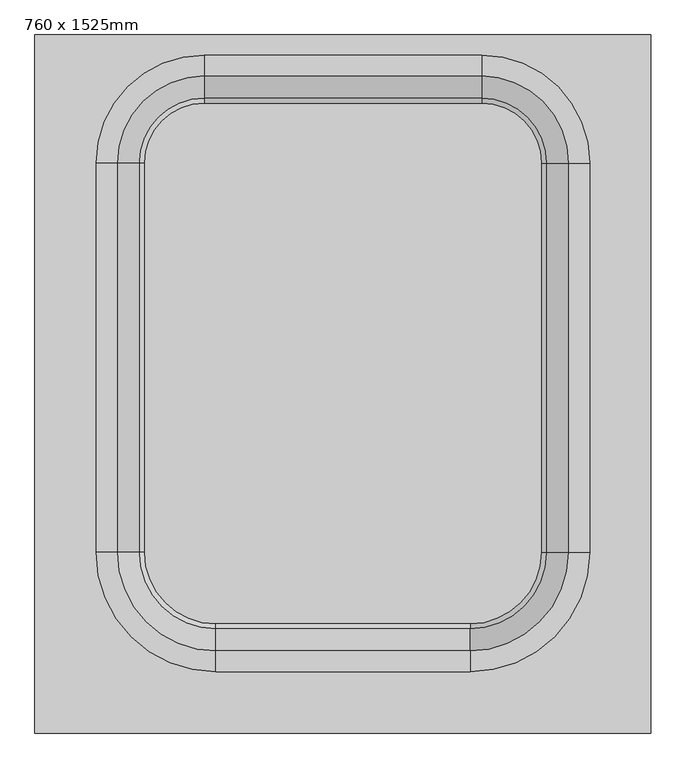
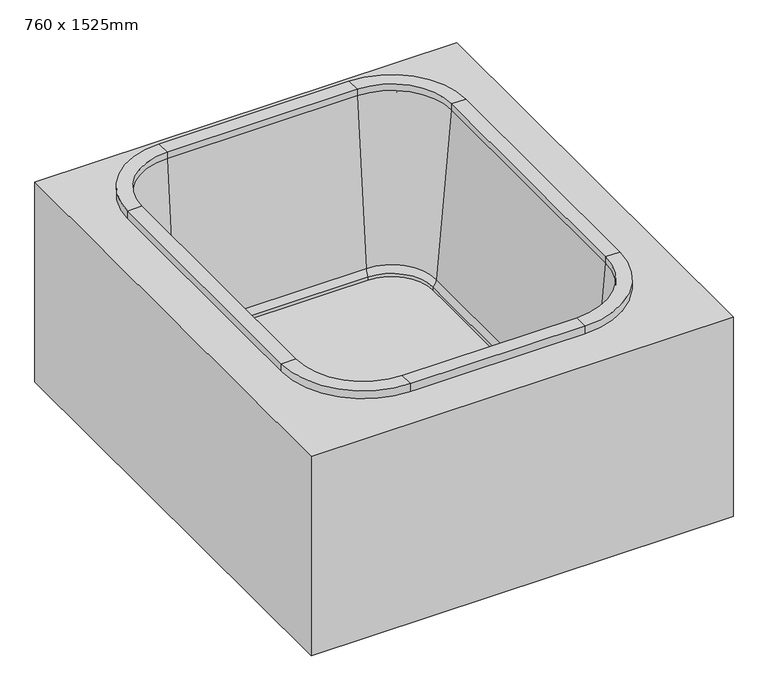
"""IFC4 building model written with IfcOpenShell, lengths in millimetres: flow terminal geometry, 760 x 1525mm."""

from ifc_helpers import new_model, si_unit, point, frame, frame_2d, origin, origin_with_axes, place, context, project, spatial, polyline, circle_curve, ellipse_curve, trimmed, segment, composite_curve, outline, extrude, source, transform, mapped, element, save
from ifc_brep_helpers import plane_surface, cylinder_surface, revolved_surface, advanced_brep


def flow_terminal_760_x_1525mm_35f8e718(model_context):
    return source(origin(), model_context, "Body", "SolidModel", [
        extrude(outline(composite_curve([segment(polyline([(-204.5855421, 612.5), (471.1503892, 612.5)]), True, "CONTINUOUS"), segment(trimmed(circle_curve(frame_2d((471.1503892, 400.3679656)), 212.1320344), [point((471.1503892, 612.5))], [point((683.2824236, 400.3679656))], False, "CARTESIAN"), True, "CONTINUOUS"), segment(polyline([(683.2824236, 400.3679656), (683.2824236, -547.0836944)]), True, "CONTINUOUS"), segment(trimmed(circle_curve(frame_2d((442.866118, -547.0836944)), 240.4163056), [point((683.2824236, -547.0836944))], [point((442.866118, -787.5))], False, "CARTESIAN"), True, "CONTINUOUS"), segment(polyline([(442.866118, -787.5), (-176.3012708, -787.5)]), True, "CONTINUOUS"), segment(trimmed(circle_curve(frame_2d((-176.3012708, -547.0836944)), 240.4163056), [point((-176.3012708, -787.5))], [point((-416.7175764, -547.0836944))], False, "CARTESIAN"), True, "CONTINUOUS"), segment(polyline([(-416.7175764, -547.0836944), (-416.7175764, 400.3679656)]), True, "CONTINUOUS"), segment(trimmed(circle_curve(frame_2d((-204.5855421, 400.3679656)), 212.1320344), [point((-416.7175764, 400.3679656))], [point((-204.5855421, 612.5))], False, "CARTESIAN"), True, "CONTINUOUS")], self_intersect=False)), frame((0.0, 0.0, 86.3), z_axis=(0.0, 0.0, 1.0), x_axis=(1.0, 0.0, 0.0)), (0.0, 0.0, 1.0), 15.08),
        advanced_brep(
        [(442.866118, -787.5, 755.2703345), (442.866118, -733.4902149, 137.935666), (-176.3012708, -733.4902149, 137.935666), (-176.3012708, -787.5, 755.2703345), (442.866118, -787.5, 779.2), (-176.3012708, -787.5, 779.2), (442.866118, -838.3, 779.2), (-176.3012708, -838.3, 779.2), (442.866118, -838.3, 739.2), (-176.3012708, -838.3, 739.2), (442.866118, -801.0748866, 739.2), (-176.3012708, -801.0748866, 739.2), (442.866118, -748.3572772, 136.6349666), (-176.3012708, -748.3572772, 136.6349666), (442.866118, -721.5824236, 95.0711196), (-176.3012708, -721.5824236, 95.0711196), (442.866118, -721.5824236, 113.4506891), (-176.3012708, -721.5824236, 113.4506891), (-416.7175764, -547.0836944, 755.2703345), (-362.7077913, -547.0836944, 137.935666), (-416.7175764, -547.0836944, 779.2), (-467.5175764, -547.0836944, 779.2), (-467.5175764, -547.0836944, 739.2), (-430.2924631, -547.0836944, 739.2), (-377.5748536, -547.0836944, 136.6349666), (-350.8, -547.0836944, 95.0711196), (-350.8, -547.0836944, 113.4506891), (-362.7077913, 400.3679656, 137.935666), (-416.7175764, 400.3679656, 755.2703345), (-416.7175764, 400.3679656, 779.2), (-467.5175764, 400.3679656, 779.2), (-467.5175764, 400.3679656, 739.2), (-430.2924631, 400.3679656, 739.2), (-377.5748536, 400.3679656, 136.6349666), (-350.8, 400.3679656, 95.0711196), (-350.8, 400.3679656, 113.4506891), (-204.5855421, 612.5, 755.2703345), (-204.5855421, 558.4902149, 137.935666), (-204.5855421, 612.5, 779.2), (-204.5855421, 663.3, 779.2), (-204.5855421, 663.3, 739.2), (-204.5855421, 626.0748866, 739.2), (-204.5855421, 573.3572772, 136.6349666), (-204.5855421, 546.5824236, 95.0711196), (-204.5855421, 546.5824236, 113.4506891), (471.1503892, 558.4902149, 137.935666), (471.1503892, 612.5, 755.2703345), (471.1503892, 612.5, 779.2), (471.1503892, 663.3, 779.2), (471.1503892, 663.3, 739.2), (471.1503892, 626.0748866, 739.2), (471.1503892, 573.3572772, 136.6349666), (471.1503892, 546.5824236, 95.0711196), (471.1503892, 546.5824236, 113.4506891), (683.2824236, 400.3679656, 755.2703345), (629.2726385, 400.3679656, 137.935666), (683.2824236, 400.3679656, 779.2), (734.0824236, 400.3679656, 779.2), (734.0824236, 400.3679656, 739.2), (696.8573102, 400.3679656, 739.2), (644.1397007, 400.3679656, 136.6349666), (617.3648471, 400.3679656, 95.0711196), (617.3648471, 400.3679656, 113.4506891), (629.2726385, -547.0836944, 137.935666), (683.2824236, -547.0836944, 755.2703345), (683.2824236, -547.0836944, 779.2), (734.0824236, -547.0836944, 779.2), (734.0824236, -547.0836944, 739.2), (696.8573102, -547.0836944, 739.2), (644.1397007, -547.0836944, 136.6349666), (617.3648471, -547.0836944, 95.0711196), (617.3648471, -547.0836944, 113.4506891)],
        [
            (0, 1),
            (1, 2),
            (2, 3),
            (3, 0),
            (4, 0),
            (3, 5),
            (5, 4),
            (6, 4),
            (5, 7),
            (7, 6),
            (8, 6),
            (7, 9),
            (9, 8),
            (10, 8),
            (9, 11),
            (11, 10),
            (12, 10),
            (11, 13),
            (13, 12),
            (14, 12, circle_curve(frame((442.866118, -695.5351969, 141.2562998), z_axis=(-1.0, 0.0, 0.0), x_axis=(0.0, -1.0, 0.0)), 53.023852)),
            (13, 15, circle_curve(frame((-176.3012708, -695.5351969, 141.2562998), z_axis=(1.0, 0.0, 0.0), x_axis=(0.0, -1.0, 0.0)), 53.023852)),
            (15, 14),
            (16, 14),
            (15, 17),
            (17, 16),
            (1, 16, circle_curve(frame((442.866118, -695.5351969, 141.2562998), z_axis=(1.0, 0.0, 0.0), x_axis=(0.0, -1.0, 0.0)), 38.1)),
            (17, 2, circle_curve(frame((-176.3012708, -695.5351969, 141.2562998), z_axis=(-1.0, 0.0, 0.0), x_axis=(0.0, -1.0, 0.0)), 38.1)),
            (18, 3, circle_curve(frame((-176.3012708, -547.0836944, 755.2703345), z_axis=(0.0, 0.0, 1.0), x_axis=(0.0, -1.0, 0.0)), 240.4163056)),
            (2, 19, circle_curve(frame((-176.3012708, -547.0836944, 137.935666), z_axis=(0.0, 0.0, -1.0), x_axis=(0.0, -1.0, 0.0)), 186.4065205)),
            (19, 18),
            (20, 5, circle_curve(frame((-176.3012708, -547.0836944, 779.2), z_axis=(0.0, 0.0, 1.0), x_axis=(0.0, -1.0, 0.0)), 240.4163056)),
            (18, 20),
            (21, 7, circle_curve(frame((-176.3012708, -547.0836944, 779.2), z_axis=(0.0, 0.0, 1.0), x_axis=(0.0, -1.0, 0.0)), 291.2163056)),
            (20, 21),
            (22, 9, circle_curve(frame((-176.3012708, -547.0836944, 739.2), z_axis=(0.0, 0.0, 1.0), x_axis=(0.0, -1.0, 0.0)), 291.2163056)),
            (21, 22),
            (23, 11, circle_curve(frame((-176.3012708, -547.0836944, 739.2), z_axis=(0.0, 0.0, 1.0), x_axis=(0.0, -1.0, 0.0)), 253.9911922)),
            (22, 23),
            (24, 13, circle_curve(frame((-176.3012708, -547.0836944, 136.6349666), z_axis=(0.0, 0.0, 1.0), x_axis=(0.0, -1.0, 0.0)), 201.2735828)),
            (23, 24),
            (25, 15, circle_curve(frame((-176.3012708, -547.0836944, 95.0711196), z_axis=(0.0, 0.0, 1.0), x_axis=(0.0, -1.0, 0.0)), 174.4987292)),
            (24, 25, circle_curve(frame((-324.7527733, -547.0836944, 141.2562998), z_axis=(0.0, -1.0, 0.0), x_axis=(-1.0, 0.0, 0.0)), 53.023852)),
            (26, 17, circle_curve(frame((-176.3012708, -547.0836944, 113.4506891), z_axis=(0.0, 0.0, 1.0), x_axis=(0.0, -1.0, 0.0)), 174.4987292)),
            (25, 26),
            (26, 19, circle_curve(frame((-324.7527733, -547.0836944, 141.2562998), z_axis=(0.0, 1.0, 0.0), x_axis=(-1.0, 0.0, 0.0)), 38.1)),
            (19, 27),
            (27, 28),
            (28, 18),
            (28, 29),
            (29, 20),
            (29, 30),
            (30, 21),
            (30, 31),
            (31, 22),
            (31, 32),
            (32, 23),
            (32, 33),
            (33, 24),
            (33, 34, circle_curve(frame((-324.7527733, 400.3679656, 141.2562998), z_axis=(0.0, -1.0, 0.0), x_axis=(-1.0, 0.0, 0.0)), 53.023852)),
            (34, 25),
            (34, 35),
            (35, 26),
            (35, 27, circle_curve(frame((-324.7527733, 400.3679656, 141.2562998), z_axis=(0.0, 1.0, 0.0), x_axis=(-1.0, 0.0, 0.0)), 38.1)),
            (36, 28, circle_curve(frame((-204.5855421, 400.3679656, 755.2703345), z_axis=(0.0, 0.0, 1.0), x_axis=(-1.0, 0.0, 0.0)), 212.1320344)),
            (27, 37, circle_curve(frame((-204.5855421, 400.3679656, 137.935666), z_axis=(0.0, 0.0, -1.0), x_axis=(-1.0, 0.0, 0.0)), 158.1222493)),
            (37, 36),
            (38, 29, circle_curve(frame((-204.5855421, 400.3679656, 779.2), z_axis=(0.0, 0.0, 1.0), x_axis=(-1.0, 0.0, 0.0)), 212.1320344)),
            (36, 38),
            (39, 30, circle_curve(frame((-204.5855421, 400.3679656, 779.2), z_axis=(0.0, 0.0, 1.0), x_axis=(-1.0, 0.0, 0.0)), 262.9320344)),
            (38, 39),
            (40, 31, circle_curve(frame((-204.5855421, 400.3679656, 739.2), z_axis=(0.0, 0.0, 1.0), x_axis=(-1.0, 0.0, 0.0)), 262.9320344)),
            (39, 40),
            (41, 32, circle_curve(frame((-204.5855421, 400.3679656, 739.2), z_axis=(0.0, 0.0, 1.0), x_axis=(-1.0, 0.0, 0.0)), 225.706921)),
            (40, 41),
            (42, 33, circle_curve(frame((-204.5855421, 400.3679656, 136.6349666), z_axis=(0.0, 0.0, 1.0), x_axis=(-1.0, 0.0, 0.0)), 172.9893115)),
            (41, 42),
            (43, 34, circle_curve(frame((-204.5855421, 400.3679656, 95.0711196), z_axis=(0.0, 0.0, 1.0), x_axis=(-1.0, 0.0, 0.0)), 146.2144579)),
            (42, 43, circle_curve(frame((-204.5855421, 520.5351969, 141.2562998), z_axis=(-1.0, 0.0, 0.0), x_axis=(0.0, 1.0, 0.0)), 53.023852)),
            (44, 35, circle_curve(frame((-204.5855421, 400.3679656, 113.4506891), z_axis=(0.0, 0.0, 1.0), x_axis=(-1.0, 0.0, 0.0)), 146.2144579)),
            (43, 44),
            (44, 37, circle_curve(frame((-204.5855421, 520.5351969, 141.2562998), z_axis=(1.0, 0.0, 0.0), x_axis=(0.0, 1.0, 0.0)), 38.1)),
            (37, 45),
            (45, 46),
            (46, 36),
            (46, 47),
            (47, 38),
            (47, 48),
            (48, 39),
            (48, 49),
            (49, 40),
            (49, 50),
            (50, 41),
            (50, 51),
            (51, 42),
            (51, 52, circle_curve(frame((471.1503892, 520.5351969, 141.2562998), z_axis=(-1.0, 0.0, 0.0), x_axis=(0.0, 1.0, 0.0)), 53.023852)),
            (52, 43),
            (52, 53),
            (53, 44),
            (53, 45, circle_curve(frame((471.1503892, 520.5351969, 141.2562998), z_axis=(1.0, 0.0, 0.0), x_axis=(0.0, 1.0, 0.0)), 38.1)),
            (54, 46, circle_curve(frame((471.1503892, 400.3679656, 755.2703345), z_axis=(0.0, 0.0, 1.0), x_axis=(0.0, 1.0, 0.0)), 212.1320344)),
            (45, 55, circle_curve(frame((471.1503892, 400.3679656, 137.935666), z_axis=(0.0, 0.0, -1.0), x_axis=(0.0, 1.0, 0.0)), 158.1222493)),
            (55, 54),
            (56, 47, circle_curve(frame((471.1503892, 400.3679656, 779.2), z_axis=(0.0, 0.0, 1.0), x_axis=(0.0, 1.0, 0.0)), 212.1320344)),
            (54, 56),
            (57, 48, circle_curve(frame((471.1503892, 400.3679656, 779.2), z_axis=(0.0, 0.0, 1.0), x_axis=(0.0, 1.0, 0.0)), 262.9320344)),
            (56, 57),
            (58, 49, circle_curve(frame((471.1503892, 400.3679656, 739.2), z_axis=(0.0, 0.0, 1.0), x_axis=(0.0, 1.0, 0.0)), 262.9320344)),
            (57, 58),
            (59, 50, circle_curve(frame((471.1503892, 400.3679656, 739.2), z_axis=(0.0, 0.0, 1.0), x_axis=(0.0, 1.0, 0.0)), 225.706921)),
            (58, 59),
            (60, 51, circle_curve(frame((471.1503892, 400.3679656, 136.6349666), z_axis=(0.0, 0.0, 1.0), x_axis=(0.0, 1.0, 0.0)), 172.9893115)),
            (59, 60),
            (61, 52, circle_curve(frame((471.1503892, 400.3679656, 95.0711196), z_axis=(0.0, 0.0, 1.0), x_axis=(0.0, 1.0, 0.0)), 146.2144579)),
            (60, 61, circle_curve(frame((591.3176205, 400.3679656, 141.2562998), z_axis=(0.0, 1.0, 0.0), x_axis=(1.0, 0.0, 0.0)), 53.023852)),
            (62, 53, circle_curve(frame((471.1503892, 400.3679656, 113.4506891), z_axis=(0.0, 0.0, 1.0), x_axis=(0.0, 1.0, 0.0)), 146.2144579)),
            (61, 62),
            (62, 55, circle_curve(frame((591.3176205, 400.3679656, 141.2562998), z_axis=(0.0, -1.0, 0.0), x_axis=(1.0, 0.0, 0.0)), 38.1)),
            (55, 63),
            (63, 64),
            (64, 54),
            (64, 65),
            (65, 56),
            (65, 66),
            (66, 57),
            (66, 67),
            (67, 58),
            (67, 68),
            (68, 59),
            (68, 69),
            (69, 60),
            (69, 70, circle_curve(frame((591.3176205, -547.0836944, 141.2562998), z_axis=(0.0, 1.0, 0.0), x_axis=(1.0, 0.0, 0.0)), 53.023852)),
            (70, 61),
            (70, 71),
            (71, 62),
            (71, 63, circle_curve(frame((591.3176205, -547.0836944, 141.2562998), z_axis=(0.0, -1.0, 0.0), x_axis=(1.0, 0.0, 0.0)), 38.1)),
            (0, 64, circle_curve(frame((442.866118, -547.0836944, 755.2703345), z_axis=(0.0, 0.0, 1.0), x_axis=(1.0, 0.0, 0.0)), 240.4163056)),
            (63, 1, circle_curve(frame((442.866118, -547.0836944, 137.935666), z_axis=(0.0, 0.0, -1.0), x_axis=(1.0, 0.0, 0.0)), 186.4065205)),
            (4, 65, circle_curve(frame((442.866118, -547.0836944, 779.2), z_axis=(0.0, 0.0, 1.0), x_axis=(1.0, 0.0, 0.0)), 240.4163056)),
            (6, 66, circle_curve(frame((442.866118, -547.0836944, 779.2), z_axis=(0.0, 0.0, 1.0), x_axis=(1.0, 0.0, 0.0)), 291.2163056)),
            (8, 67, circle_curve(frame((442.866118, -547.0836944, 739.2), z_axis=(0.0, 0.0, 1.0), x_axis=(1.0, 0.0, 0.0)), 291.2163056)),
            (10, 68, circle_curve(frame((442.866118, -547.0836944, 739.2), z_axis=(0.0, 0.0, 1.0), x_axis=(1.0, 0.0, 0.0)), 253.9911922)),
            (12, 69, circle_curve(frame((442.866118, -547.0836944, 136.6349666), z_axis=(0.0, 0.0, 1.0), x_axis=(1.0, 0.0, 0.0)), 201.2735828)),
            (14, 70, circle_curve(frame((442.866118, -547.0836944, 95.0711196), z_axis=(0.0, 0.0, 1.0), x_axis=(1.0, 0.0, 0.0)), 174.4987292)),
            (16, 71, circle_curve(frame((442.866118, -547.0836944, 113.4506891), z_axis=(0.0, 0.0, 1.0), x_axis=(1.0, 0.0, 0.0)), 174.4987292)),
        ],
        [
            plane_surface(frame((442.866118, -733.4902149, 137.935666), z_axis=(0.0, 0.9961946980917459, 0.08715574274765597), x_axis=(-1.0, 0.0, 0.0))),
            plane_surface(frame((442.866118, -787.5, 755.2703345), z_axis=(0.0, 1.0, 0.0), x_axis=(-1.0, 0.0, 0.0))),
            plane_surface(frame((442.866118, -787.5, 779.2), z_axis=(0.0, 0.0, 1.0), x_axis=(-1.0, 0.0, 0.0))),
            plane_surface(frame((442.866118, -838.3, 779.2), z_axis=(0.0, -1.0, 0.0), x_axis=(-1.0, 0.0, 0.0))),
            plane_surface(frame((442.866118, -838.3, 739.2), z_axis=(0.0, 0.0, -1.0), x_axis=(-1.0, 0.0, 0.0))),
            plane_surface(frame((442.866118, -801.0748866, 739.2), z_axis=(0.0, -0.9961946980917457, -0.0871557427476578), x_axis=(-1.0, 0.0, 0.0))),
            cylinder_surface(frame((442.866118, -695.5351969, 141.2562998), z_axis=(1.0, 0.0, 0.0), x_axis=(0.0, -1.0, 0.0)), 53.023852),
            plane_surface(frame((442.866118, -721.5824236, 95.0711196), z_axis=(0.0, 1.0, 0.0), x_axis=(-1.0, 0.0, 0.0))),
            revolved_surface(polyline([(-176.30127080000005, -733.6351969, 141.2562998), (442.866118, -733.6351969, 141.2562998)]), (442.866118, -695.5351969, 141.2562998), (-1.0, 0.0, 0.0)),
            revolved_surface(polyline([(-176.3012708, -733.4902149, 137.935666), (-176.3012708, -787.5, 755.2703345)]), (-176.3012708, -547.0836944, 434.6), (0.0, 0.0, -1.0)),
            revolved_surface(polyline([(-176.3012708, -787.5, 755.2703345), (-176.3012708, -787.5, 779.2)]), (-176.3012708, -547.0836944, 434.6), (0.0, 0.0, -1.0)),
            plane_surface(frame((-176.3012708, -547.0836944, 779.2), z_axis=(0.0, 0.0, 1.0), x_axis=(0.0, -1.0, 0.0))),
            cylinder_surface(frame((-176.3012708, -547.0836944, 434.6), z_axis=(0.0, 0.0, -1.0), x_axis=(0.0, -1.0, 0.0)), 291.2163056),
            plane_surface(frame((-176.3012708, -547.0836944, 739.2), z_axis=(0.0, 0.0, -1.0), x_axis=(0.0, -1.0, 0.0))),
            revolved_surface(polyline([(-176.3012708, -801.0748866, 739.2), (-176.3012708, -748.3572772, 136.6349666)]), (-176.3012708, -547.0836944, 434.6), (0.0, 0.0, -1.0)),
            revolved_surface(trimmed(ellipse_curve(frame((-176.3012708, -695.5351969, 141.2562998), z_axis=(1.0, 0.0, 0.0), x_axis=(0.0, -1.0, 0.0)), 53.023852, 53.023852), [point((-176.3012708, -748.3572772, 136.6349666))], [point((-176.3012708, -721.5824236, 95.0711196))], True, "CARTESIAN"), (-176.3012708, -547.0836944, 434.6), (0.0, 0.0, -1.0)),
            revolved_surface(polyline([(-176.3012708, -721.5824236000001, 95.07111959999997), (-176.3012708, -721.5824236000001, 113.45068909999998)]), (-176.3012708, -547.0836944, 434.6), (0.0, 0.0, -1.0)),
            revolved_surface(trimmed(ellipse_curve(frame((-176.3012708, -695.5351969, 141.2562998), z_axis=(-1.0, 0.0, 0.0), x_axis=(0.0, -1.0, 0.0)), 38.1, 38.1), [point((-176.3012708, -721.5824236, 113.4506891))], [point((-176.3012708, -733.4902149, 137.935666))], True, "CARTESIAN"), (-176.3012708, -547.0836944, 434.6), (0.0, 0.0, -1.0)),
            plane_surface(frame((-362.7077913, -547.0836944, 137.935666), z_axis=(0.9961946980917455, 0.0, 0.0871557427476592), x_axis=(0.0, 1.0, 0.0))),
            plane_surface(frame((-416.7175764, -547.0836944, 755.2703345), z_axis=(1.0, 0.0, 0.0), x_axis=(0.0, 1.0, 0.0))),
            plane_surface(frame((-416.7175764, -547.0836944, 779.2), z_axis=(0.0, 0.0, 1.0), x_axis=(0.0, 1.0, 0.0))),
            plane_surface(frame((-467.5175764, -547.0836944, 779.2), z_axis=(-1.0, 0.0, 0.0), x_axis=(0.0, 1.0, 0.0))),
            plane_surface(frame((-467.5175764, -547.0836944, 739.2), z_axis=(0.0, 0.0, -1.0), x_axis=(0.0, 1.0, 0.0))),
            plane_surface(frame((-430.2924631, -547.0836944, 739.2), z_axis=(-0.9961946980917453, 0.0, -0.08715574274766104), x_axis=(0.0, 1.0, 0.0))),
            cylinder_surface(frame((-324.7527733, -547.0836944, 141.2562998), z_axis=(0.0, -1.0, 0.0), x_axis=(-1.0, 0.0, 0.0)), 53.023852),
            plane_surface(frame((-350.8, -547.0836944, 95.0711196), z_axis=(1.0, 0.0, 0.0), x_axis=(0.0, 1.0, 0.0))),
            revolved_surface(polyline([(-362.8527733, 400.36796559999993, 141.2562998), (-362.8527733, -547.0836944, 141.2562998)]), (-324.7527733, -547.0836944, 141.2562998), (0.0, 1.0, 0.0)),
            revolved_surface(polyline([(-362.7077913, 400.3679656, 137.935666), (-416.7175764, 400.3679656, 755.2703345)]), (-204.5855421, 400.3679656, 434.6), (0.0, 0.0, -1.0)),
            revolved_surface(polyline([(-416.7175765, 400.3679656, 755.2703345), (-416.7175765, 400.3679656, 779.2)]), (-204.5855421, 400.3679656, 434.6), (0.0, 0.0, -1.0)),
            plane_surface(frame((-204.5855421, 400.3679656, 779.2), z_axis=(0.0, 0.0, 1.0), x_axis=(-1.0, 0.0, 0.0))),
            cylinder_surface(frame((-204.5855421, 400.3679656, 434.6), z_axis=(0.0, 0.0, -1.0), x_axis=(-1.0, 0.0, 0.0)), 262.9320344),
            plane_surface(frame((-204.5855421, 400.3679656, 739.2), z_axis=(0.0, 0.0, -1.0), x_axis=(-1.0, 0.0, 0.0))),
            revolved_surface(polyline([(-430.2924631, 400.3679656, 739.2), (-377.5748536, 400.3679656, 136.6349666)]), (-204.5855421, 400.3679656, 434.6), (0.0, 0.0, -1.0)),
            revolved_surface(trimmed(ellipse_curve(frame((-324.7527733, 400.3679656, 141.2562998), z_axis=(0.0, -1.0, 0.0), x_axis=(-1.0, 0.0, 0.0)), 53.023852, 53.023852), [point((-377.5748536, 400.3679656, 136.6349666))], [point((-350.8, 400.3679656, 95.0711196))], True, "CARTESIAN"), (-204.5855421, 400.3679656, 434.6), (0.0, 0.0, -1.0)),
            revolved_surface(polyline([(-350.8, 400.3679656, 95.07111959999997), (-350.8, 400.3679656, 113.45068909999998)]), (-204.5855421, 400.3679656, 434.6), (0.0, 0.0, -1.0)),
            revolved_surface(trimmed(ellipse_curve(frame((-324.7527733, 400.3679656, 141.2562998), z_axis=(0.0, 1.0, 0.0), x_axis=(-1.0, 0.0, 0.0)), 38.1, 38.1), [point((-350.8, 400.3679656, 113.4506891))], [point((-362.7077913, 400.3679656, 137.935666))], True, "CARTESIAN"), (-204.5855421, 400.3679656, 434.6), (0.0, 0.0, -1.0)),
            plane_surface(frame((-204.5855421, 558.4902149, 137.935666), z_axis=(0.0, -0.9961946980917452, 0.08715574274766244), x_axis=(1.0, 0.0, 0.0))),
            plane_surface(frame((-204.5855421, 612.5, 755.2703345), z_axis=(0.0, -1.0, 0.0), x_axis=(1.0, 0.0, 0.0))),
            plane_surface(frame((-204.5855421, 612.5, 779.2), z_axis=(0.0, 0.0, 1.0), x_axis=(1.0, 0.0, 0.0))),
            plane_surface(frame((-204.5855421, 663.3, 779.2), z_axis=(0.0, 1.0, 0.0), x_axis=(1.0, 0.0, 0.0))),
            plane_surface(frame((-204.5855421, 663.3, 739.2), z_axis=(0.0, 0.0, -1.0), x_axis=(1.0, 0.0, 0.0))),
            plane_surface(frame((-204.5855421, 626.0748866, 739.2), z_axis=(0.0, 0.996194698091745, -0.08715574274766427), x_axis=(1.0, 0.0, 0.0))),
            cylinder_surface(frame((-204.5855421, 520.5351969, 141.2562998), z_axis=(-1.0, 0.0, 0.0), x_axis=(0.0, 1.0, 0.0)), 53.023852),
            plane_surface(frame((-204.5855421, 546.5824236, 95.0711196), z_axis=(0.0, -1.0, 0.0), x_axis=(1.0, 0.0, 0.0))),
            revolved_surface(polyline([(471.15038919999995, 558.6351969, 141.2562998), (-204.5855421, 558.6351969, 141.2562998)]), (-204.5855421, 520.5351969, 141.2562998), (1.0, 0.0, 0.0)),
            revolved_surface(polyline([(471.1503892, 558.4902149, 137.935666), (471.1503892, 612.5, 755.2703345)]), (471.1503892, 400.3679656, 434.6), (0.0, 0.0, -1.0)),
            revolved_surface(polyline([(471.1503892, 612.5, 755.2703345), (471.1503892, 612.5, 779.2)]), (471.1503892, 400.3679656, 434.6), (0.0, 0.0, -1.0)),
            plane_surface(frame((471.1503892, 400.3679656, 779.2), z_axis=(0.0, 0.0, 1.0), x_axis=(0.0, 1.0, 0.0))),
            cylinder_surface(frame((471.1503892, 400.3679656, 434.6), z_axis=(0.0, 0.0, -1.0), x_axis=(0.0, 1.0, 0.0)), 262.9320344),
            plane_surface(frame((471.1503892, 400.3679656, 739.2), z_axis=(0.0, 0.0, -1.0), x_axis=(0.0, 1.0, 0.0))),
            revolved_surface(polyline([(471.1503892, 626.0748866, 739.2), (471.1503892, 573.3572772, 136.6349666)]), (471.1503892, 400.3679656, 434.6), (0.0, 0.0, -1.0)),
            revolved_surface(trimmed(ellipse_curve(frame((471.1503892, 520.5351969, 141.2562998), z_axis=(-1.0, 0.0, 0.0), x_axis=(0.0, 1.0, 0.0)), 53.023852, 53.023852), [point((471.1503892, 573.3572772, 136.6349666))], [point((471.1503892, 546.5824236, 95.0711196))], True, "CARTESIAN"), (471.1503892, 400.3679656, 434.6), (0.0, 0.0, -1.0)),
            revolved_surface(polyline([(471.1503892, 546.5824235, 95.07111959999997), (471.1503892, 546.5824235, 113.45068909999998)]), (471.1503892, 400.3679656, 434.6), (0.0, 0.0, -1.0)),
            revolved_surface(trimmed(ellipse_curve(frame((471.1503892, 520.5351969, 141.2562998), z_axis=(1.0, 0.0, 0.0), x_axis=(0.0, 1.0, 0.0)), 38.1, 38.1), [point((471.1503892, 546.5824236, 113.4506891))], [point((471.1503892, 558.4902149, 137.935666))], True, "CARTESIAN"), (471.1503892, 400.3679656, 434.6), (0.0, 0.0, -1.0)),
            plane_surface(frame((629.2726385, 400.3679656, 137.935666), z_axis=(-0.9961946980917455, 0.0, 0.0871557427476592), x_axis=(0.0, -1.0, 0.0))),
            plane_surface(frame((683.2824236, 400.3679656, 755.2703345), z_axis=(-1.0, 0.0, 0.0), x_axis=(0.0, -1.0, 0.0))),
            plane_surface(frame((683.2824236, 400.3679656, 779.2), z_axis=(0.0, 0.0, 1.0), x_axis=(0.0, -1.0, 0.0))),
            plane_surface(frame((734.0824236, 400.3679656, 779.2), z_axis=(1.0, 0.0, 0.0), x_axis=(0.0, -1.0, 0.0))),
            plane_surface(frame((734.0824236, 400.3679656, 739.2), z_axis=(0.0, 0.0, -1.0), x_axis=(0.0, -1.0, 0.0))),
            plane_surface(frame((696.8573102, 400.3679656, 739.2), z_axis=(0.9961946980917453, 0.0, -0.08715574274766104), x_axis=(0.0, -1.0, 0.0))),
            cylinder_surface(frame((591.3176205, 400.3679656, 141.2562998), z_axis=(0.0, 1.0, 0.0), x_axis=(1.0, 0.0, 0.0)), 53.023852),
            plane_surface(frame((617.3648471, 400.3679656, 95.0711196), z_axis=(-1.0, 0.0, 0.0), x_axis=(0.0, -1.0, 0.0))),
            revolved_surface(polyline([(629.4176205, -547.0836944, 141.2562998), (629.4176205, 400.3679656, 141.2562998)]), (591.3176205, 400.3679656, 141.2562998), (0.0, -1.0, 0.0)),
            revolved_surface(polyline([(629.2726385, -547.0836944, 137.935666), (683.2824236, -547.0836944, 755.2703345)]), (442.866118, -547.0836944, 434.6), (0.0, 0.0, -1.0)),
            revolved_surface(polyline([(683.2824235999999, -547.0836944, 755.2703345), (683.2824235999999, -547.0836944, 779.2)]), (442.866118, -547.0836944, 434.6), (0.0, 0.0, -1.0)),
            plane_surface(frame((442.866118, -547.0836944, 779.2), z_axis=(0.0, 0.0, 1.0), x_axis=(1.0, 0.0, 0.0))),
            cylinder_surface(frame((442.866118, -547.0836944, 434.6), z_axis=(0.0, 0.0, -1.0), x_axis=(1.0, 0.0, 0.0)), 291.2163056),
            plane_surface(frame((442.866118, -547.0836944, 739.2), z_axis=(0.0, 0.0, -1.0), x_axis=(1.0, 0.0, 0.0))),
            revolved_surface(polyline([(696.8573102, -547.0836944, 739.2), (644.1397007, -547.0836944, 136.6349666)]), (442.866118, -547.0836944, 434.6), (0.0, 0.0, -1.0)),
            revolved_surface(trimmed(ellipse_curve(frame((591.3176205, -547.0836944, 141.2562998), z_axis=(0.0, 1.0, 0.0), x_axis=(1.0, 0.0, 0.0)), 53.023852, 53.023852), [point((644.1397007, -547.0836944, 136.6349666))], [point((617.3648471, -547.0836944, 95.0711196))], True, "CARTESIAN"), (442.866118, -547.0836944, 434.6), (0.0, 0.0, -1.0)),
            revolved_surface(polyline([(617.3648472, -547.0836944, 95.07111959999997), (617.3648472, -547.0836944, 113.45068909999998)]), (442.866118, -547.0836944, 434.6), (0.0, 0.0, -1.0)),
            revolved_surface(trimmed(ellipse_curve(frame((591.3176205, -547.0836944, 141.2562998), z_axis=(0.0, -1.0, 0.0), x_axis=(1.0, 0.0, 0.0)), 38.1, 38.1), [point((617.3648471, -547.0836944, 113.4506891))], [point((629.2726385, -547.0836944, 137.935666))], True, "CARTESIAN"), (442.866118, -547.0836944, 434.6), (0.0, 0.0, -1.0)),
        ],
        [
            (0, [[1, 2, 3, 4]]),
            (1, [[5, -4, 6, 7]]),
            (2, [[8, -7, 9, 10]]),
            (3, [[11, -10, 12, 13]]),
            (4, [[14, -13, 15, 16]]),
            (5, [[17, -16, 18, 19]]),
            (6, [[20, -19, 21, 22]]),
            (7, [[23, -22, 24, 25]]),
            (8, [[26, -25, 27, -2]]),
            (9, [[28, -3, 29, 30]]),
            (10, [[31, -6, -28, 32]]),
            (11, [[33, -9, -31, 34]]),
            (12, [[35, -12, -33, 36]]),
            (13, [[37, -15, -35, 38]]),
            (14, [[39, -18, -37, 40]]),
            (15, [[41, -21, -39, 42]]),
            (16, [[43, -24, -41, 44]]),
            (17, [[-29, -27, -43, 45]]),
            (18, [[-30, 46, 47, 48]]),
            (19, [[-32, -48, 49, 50]]),
            (20, [[-34, -50, 51, 52]]),
            (21, [[-36, -52, 53, 54]]),
            (22, [[-38, -54, 55, 56]]),
            (23, [[-40, -56, 57, 58]]),
            (24, [[-42, -58, 59, 60]]),
            (25, [[-44, -60, 61, 62]]),
            (26, [[-45, -62, 63, -46]]),
            (27, [[64, -47, 65, 66]]),
            (28, [[67, -49, -64, 68]]),
            (29, [[69, -51, -67, 70]]),
            (30, [[71, -53, -69, 72]]),
            (31, [[73, -55, -71, 74]]),
            (32, [[75, -57, -73, 76]]),
            (33, [[77, -59, -75, 78]]),
            (34, [[79, -61, -77, 80]]),
            (35, [[-65, -63, -79, 81]]),
            (36, [[-66, 82, 83, 84]]),
            (37, [[-68, -84, 85, 86]]),
            (38, [[-70, -86, 87, 88]]),
            (39, [[-72, -88, 89, 90]]),
            (40, [[-74, -90, 91, 92]]),
            (41, [[-76, -92, 93, 94]]),
            (42, [[-78, -94, 95, 96]]),
            (43, [[-80, -96, 97, 98]]),
            (44, [[-81, -98, 99, -82]]),
            (45, [[100, -83, 101, 102]]),
            (46, [[103, -85, -100, 104]]),
            (47, [[105, -87, -103, 106]]),
            (48, [[107, -89, -105, 108]]),
            (49, [[109, -91, -107, 110]]),
            (50, [[111, -93, -109, 112]]),
            (51, [[113, -95, -111, 114]]),
            (52, [[115, -97, -113, 116]]),
            (53, [[-101, -99, -115, 117]]),
            (54, [[-102, 118, 119, 120]]),
            (55, [[-104, -120, 121, 122]]),
            (56, [[-106, -122, 123, 124]]),
            (57, [[-108, -124, 125, 126]]),
            (58, [[-110, -126, 127, 128]]),
            (59, [[-112, -128, 129, 130]]),
            (60, [[-114, -130, 131, 132]]),
            (61, [[-116, -132, 133, 134]]),
            (62, [[-117, -134, 135, -118]]),
            (63, [[136, -119, 137, -1]]),
            (64, [[138, -121, -136, -5]]),
            (65, [[139, -123, -138, -8]]),
            (66, [[140, -125, -139, -11]]),
            (67, [[141, -127, -140, -14]]),
            (68, [[142, -129, -141, -17]]),
            (69, [[143, -131, -142, -20]]),
            (70, [[144, -133, -143, -23]]),
            (71, [[-137, -135, -144, -26]]),
        ],
    ),
        extrude(outline(polyline([(883.2824236, 712.5), (883.2824236, -987.5), (-616.7175764, -987.5), (-616.7175764, 712.5), (883.2824236, 712.5)]), holes=[composite_curve([segment(trimmed(circle_curve(frame_2d((-176.3012708, -547.0836944)), 240.4163056), [point((-416.7175764, -547.0836944))], [point((-176.3012708, -787.5))], True, "CARTESIAN"), True, "CONTINUOUS"), segment(polyline([(-176.3012708, -787.5), (442.866118, -787.5)]), True, "CONTINUOUS"), segment(trimmed(circle_curve(frame_2d((442.866118, -547.0836944)), 240.4163056), [point((442.866118, -787.5))], [point((683.2824236, -547.0836944))], True, "CARTESIAN"), True, "CONTINUOUS"), segment(polyline([(683.2824236, -547.0836944), (683.2824236, 400.3679656)]), True, "CONTINUOUS"), segment(trimmed(circle_curve(frame_2d((471.1503892, 400.3679656)), 212.1320344), [point((683.2824236, 400.3679656))], [point((471.1503892, 612.5))], True, "CARTESIAN"), True, "CONTINUOUS"), segment(polyline([(471.1503892, 612.5), (-204.5855421, 612.5)]), True, "CONTINUOUS"), segment(trimmed(circle_curve(frame_2d((-204.5855421, 400.3679656)), 212.1320344), [point((-204.5855421, 612.5))], [point((-416.7175764, 400.3679656))], True, "CARTESIAN"), True, "CONTINUOUS"), segment(polyline([(-416.7175764, 400.3679656), (-416.7175764, -547.0836944)]), True, "CONTINUOUS")], self_intersect=False)]), origin_with_axes(), (0.0, 0.0, 1.0), 750.0),
    ])


if __name__ == "__main__":
    model = new_model("IFC4")
    model_context = context("Model", 3, world=origin())
    ifc_project = project(units=[si_unit("LENGTHUNIT", "METRE", prefix="MILLI")], contexts=[model_context])
    site = spatial("IfcSite", under=ifc_project)
    building = spatial("IfcBuilding", under=site)
    placement = place(None, origin())
    flow_terminal_760_x_1525mm_shape = flow_terminal_760_x_1525mm_35f8e718(model_context)
    element("IfcFlowTerminal", 1, ObjectType="760 x 1525mm", at=placement, inside=building, context=model_context, shape_type="MappedRepresentation", body=[
        mapped(flow_terminal_760_x_1525mm_shape, transform((0.0, 0.0, 0.0), x_axis=(1.0, 0.0, 0.0), y_axis=(0.0, 1.0, 0.0), z_axis=(0.0, 0.0, 1.0))),
    ])
    save(model, "model.ifc")
